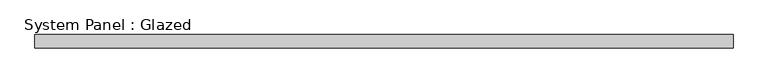
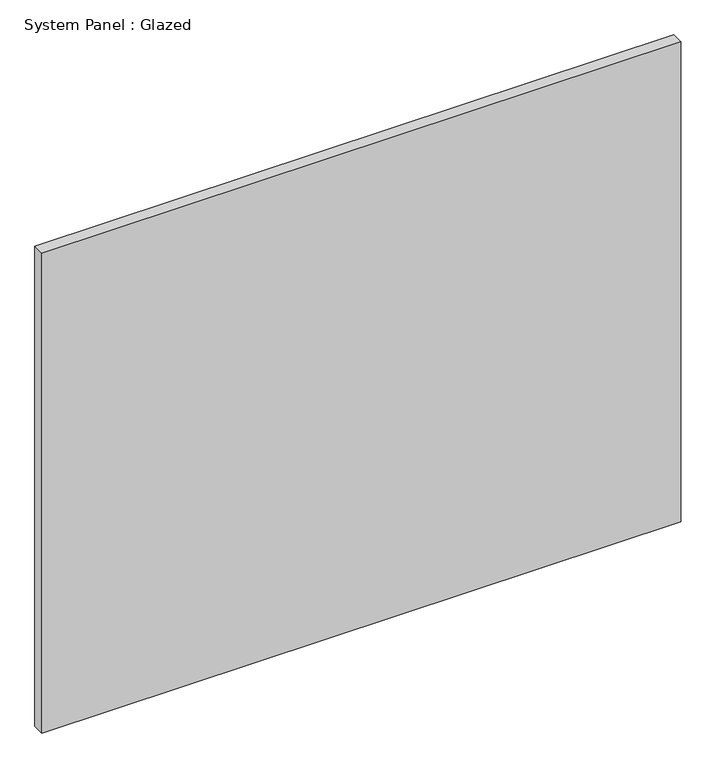
"""IFC4 building model written with IfcOpenShell, lengths in millimetres: plate geometry, System Panel : Glazed."""

from ifc_helpers import new_model, si_unit, origin, origin_with_axes, place, context, project, spatial, polyline, outline, extrude, source, transform, mapped, element, save


def system_panel_glazed_e9c9f8ad(model_context):
    return source(origin(), model_context, "Body", "SweptSolid", [
        extrude(outline(polyline([(661.4285715, 24.5), (-661.4285715, 24.5), (-661.4285715, 49.5), (661.4285715, 49.5), (661.4285715, 24.5)])), origin_with_axes(), (0.0, 0.0, 1.0), 1050.0),
    ])


if __name__ == "__main__":
    model = new_model("IFC4")
    model_context = context("Model", 3, world=origin())
    ifc_project = project(units=[si_unit("LENGTHUNIT", "METRE", prefix="MILLI")], contexts=[model_context])
    site = spatial("IfcSite", under=ifc_project)
    building = spatial("IfcBuilding", under=site)
    placement = place(None, origin())
    system_panel_glazed_shape = system_panel_glazed_e9c9f8ad(model_context)
    element("IfcPlate", 1, ObjectType="System Panel : Glazed", at=placement, inside=building, context=model_context, shape_type="MappedRepresentation", body=[
        mapped(system_panel_glazed_shape, transform((0.0, 0.0, 0.0), x_axis=(1.0, 0.0, 0.0), y_axis=(0.0, 1.0, 0.0), z_axis=(0.0, 0.0, 1.0))),
    ])
    save(model, "model.ifc")
